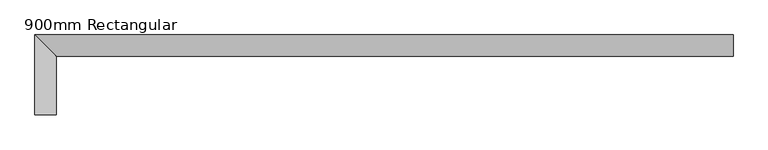
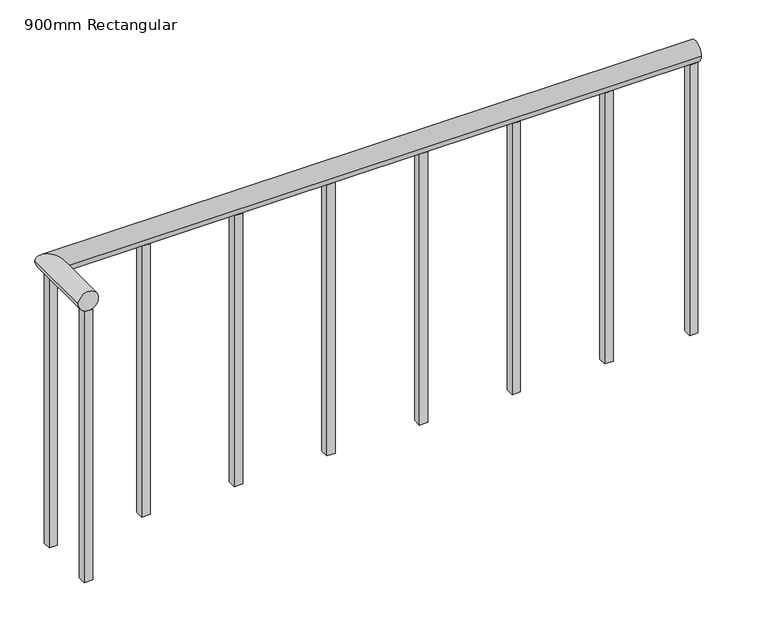
"""IFC4 building model written with IfcOpenShell, lengths in millimetres: railing geometry, 900mm Rectangular."""

from ifc_helpers import new_model, si_unit, frame, origin, place, context, project, spatial, polyline, circle_curve, ellipse_curve, outline, extrude, source, transform, mapped, element, save
from ifc_brep_helpers import plane_surface, cylinder_surface, advanced_brep


def railing_900mm_rectangular_ab13ac63(model_context):
    return source(origin(), model_context, "Body", "SolidModel", [
        advanced_brep(
        [(1800.4669434, -1792.6016452, 4480.0), (1860.4669434, -1792.6016452, 4480.0), (1800.4669434, -1569.5658267, 4480.0), (1860.4669434, -1629.5658267, 4480.0), (3745.2157048, -1569.5658267, 4480.0), (3745.2157048, -1629.5658267, 4480.0)],
        [
            (0, 1, circle_curve(frame((1830.4669434, -1792.6016452, 4480.0), z_axis=(0.0, -1.0, 0.0), x_axis=(1.0, 0.0, 0.0)), 30.0)),
            (1, 0, circle_curve(frame((1830.4669434, -1792.6016452, 4480.0), z_axis=(0.0, -1.0, 0.0), x_axis=(1.0, 0.0, 0.0)), 30.0)),
            (0, 2),
            (2, 3, ellipse_curve(frame((1830.4669434, -1599.5658267, 4480.0), z_axis=(-0.7071067811865475, -0.7071067811865475, 0.0), x_axis=(0.7071067811865474, -0.7071067811865476, 0.0)), 42.4264069, 30.0)),
            (3, 1),
            (3, 2, ellipse_curve(frame((1830.4669434, -1599.5658267, 4480.0), z_axis=(-0.7071067811865475, -0.7071067811865475, 0.0), x_axis=(0.7071067811865474, -0.7071067811865476, 0.0)), 42.4264069, 30.0)),
            (4, 5, circle_curve(frame((3745.2157048, -1599.5658267, 4480.0), z_axis=(1.0, 0.0, 0.0), x_axis=(0.0, -1.0, 0.0)), 30.0)),
            (5, 4, circle_curve(frame((3745.2157048, -1599.5658267, 4480.0), z_axis=(1.0, 0.0, 0.0), x_axis=(0.0, -1.0, 0.0)), 30.0)),
            (2, 4),
            (5, 3),
        ],
        [
            plane_surface(frame((1830.4669434, -1792.6016452, 4500.0), z_axis=(0.0, -1.0, 0.0), x_axis=(0.0, 0.0, 1.0))),
            cylinder_surface(frame((1830.4669434, -1792.6016452, 4480.0), z_axis=(0.0, -1.0, 0.0), x_axis=(1.0, 0.0, 0.0)), 30.0),
            plane_surface(frame((3745.2157048, -1599.5658267, 4500.0), z_axis=(1.0, 0.0, 0.0), x_axis=(0.0, 1.0, 0.0))),
            cylinder_surface(frame((1830.4669434, -1599.5658267, 4480.0), z_axis=(-1.0, 0.0, 0.0), x_axis=(0.0, -1.0, 0.0)), 30.0),
        ],
        [
            (0, [[1, 2]]),
            (1, [[-1, 3, 4, 5]]),
            (1, [[-2, -5, 6, -3]]),
            (2, [[7, 8]]),
            (3, [[-4, 9, -8, 10]]),
            (3, [[-6, -10, -7, -9]]),
        ],
    ),
        extrude(outline(polyline([(3467.9669434, -1612.0658267), (3467.9669434, -1587.0658267), (3492.9669434, -1587.0658267), (3492.9669434, -1612.0658267), (3467.9669434, -1612.0658267)])), frame((0.0, 0.0, 3600.0), z_axis=(0.0, 0.0, 1.0), x_axis=(1.0, 0.0, 0.0)), (0.0, 0.0, 1.0), 850.0),
        extrude(outline(polyline([(3192.9669434, -1612.0658267), (3192.9669434, -1587.0658267), (3217.9669434, -1587.0658267), (3217.9669434, -1612.0658267), (3192.9669434, -1612.0658267)])), frame((0.0, 0.0, 3600.0), z_axis=(0.0, 0.0, 1.0), x_axis=(1.0, 0.0, 0.0)), (0.0, 0.0, 1.0), 850.0),
        extrude(outline(polyline([(2917.9669434, -1612.0658267), (2917.9669434, -1587.0658267), (2942.9669434, -1587.0658267), (2942.9669434, -1612.0658267), (2917.9669434, -1612.0658267)])), frame((0.0, 0.0, 3600.0), z_axis=(0.0, 0.0, 1.0), x_axis=(1.0, 0.0, 0.0)), (0.0, 0.0, 1.0), 850.0),
        extrude(outline(polyline([(2642.9669434, -1612.0658267), (2642.9669434, -1587.0658267), (2667.9669434, -1587.0658267), (2667.9669434, -1612.0658267), (2642.9669434, -1612.0658267)])), frame((0.0, 0.0, 3600.0), z_axis=(0.0, 0.0, 1.0), x_axis=(1.0, 0.0, 0.0)), (0.0, 0.0, 1.0), 850.0),
        extrude(outline(polyline([(2367.9669434, -1612.0658267), (2367.9669434, -1587.0658267), (2392.9669434, -1587.0658267), (2392.9669434, -1612.0658267), (2367.9669434, -1612.0658267)])), frame((0.0, 0.0, 3600.0), z_axis=(0.0, 0.0, 1.0), x_axis=(1.0, 0.0, 0.0)), (0.0, 0.0, 1.0), 850.0),
        extrude(outline(polyline([(2092.9669434, -1612.0658267), (2092.9669434, -1587.0658267), (2117.9669434, -1587.0658267), (2117.9669434, -1612.0658267), (2092.9669434, -1612.0658267)])), frame((0.0, 0.0, 3600.0), z_axis=(0.0, 0.0, 1.0), x_axis=(1.0, 0.0, 0.0)), (0.0, 0.0, 1.0), 850.0),
        extrude(outline(polyline([(1842.9669434, -1612.0658267), (1817.9669434, -1612.0658267), (1817.9669434, -1587.0658267), (1842.9669434, -1587.0658267), (1842.9669434, -1612.0658267)])), frame((0.0, 0.0, 3600.0), z_axis=(0.0, 0.0, 1.0), x_axis=(1.0, 0.0, 0.0)), (0.0, 0.0, 1.0), 850.0),
        extrude(outline(polyline([(3720.2157048, -1612.0658267), (3720.2157048, -1587.0658267), (3745.2157048, -1587.0658267), (3745.2157048, -1612.0658267), (3720.2157048, -1612.0658267)])), frame((0.0, 0.0, 3600.0), z_axis=(0.0, 0.0, 1.0), x_axis=(1.0, 0.0, 0.0)), (0.0, 0.0, 1.0), 850.0),
        extrude(outline(polyline([(1842.9669434, -1792.6016452), (1817.9669434, -1792.6016452), (1817.9669434, -1767.6016452), (1842.9669434, -1767.6016452), (1842.9669434, -1792.6016452)])), frame((0.0, 0.0, 3600.0), z_axis=(0.0, 0.0, 1.0), x_axis=(1.0, 0.0, 0.0)), (0.0, 0.0, 1.0), 850.0),
    ])


if __name__ == "__main__":
    model = new_model("IFC4")
    model_context = context("Model", 3, world=origin())
    ifc_project = project(units=[si_unit("LENGTHUNIT", "METRE", prefix="MILLI")], contexts=[model_context])
    site = spatial("IfcSite", under=ifc_project)
    building = spatial("IfcBuilding", under=site)
    placement = place(None, origin())
    railing_900mm_rectangular_shape = railing_900mm_rectangular_ab13ac63(model_context)
    element("IfcRailing", 1, ObjectType="900mm Rectangular", at=placement, inside=building, context=model_context, shape_type="MappedRepresentation", body=[
        mapped(railing_900mm_rectangular_shape, transform((0.0, 0.0, 0.0), x_axis=(1.0, 0.0, 0.0), y_axis=(0.0, 1.0, 0.0), z_axis=(0.0, 0.0, 1.0))),
    ])
    save(model, "model.ifc")
